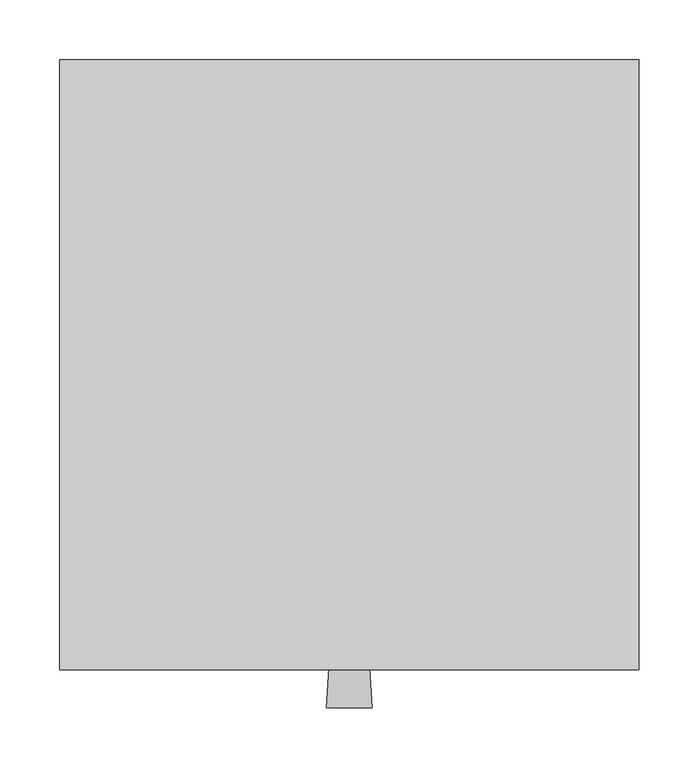
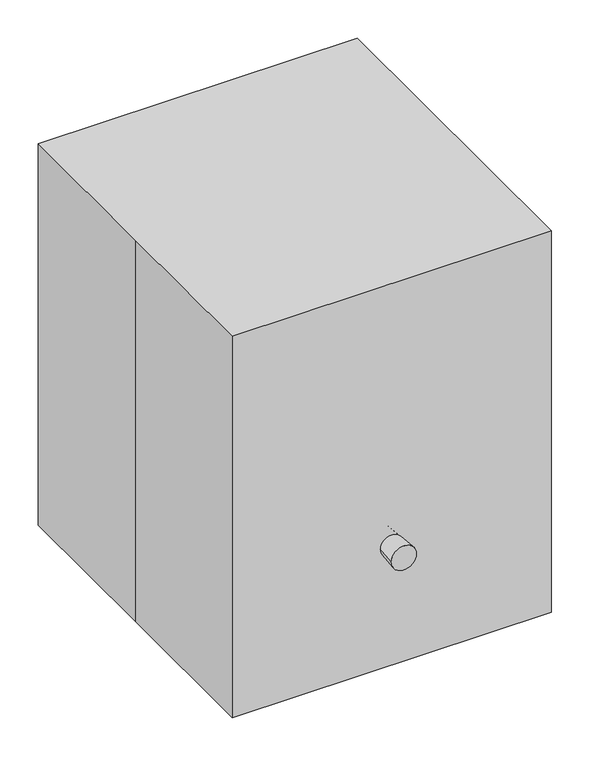
"""IFC4 building model written with IfcOpenShell, lengths in millimetres: proxy geometry."""

from ifc_helpers import new_model, si_unit, frame, origin, origin_with_axes, place, context, project, spatial, polyline, circle_curve, outline, extrude, faceted_brep, source, transform, mapped, element, save
from ifc_brep_helpers import plane_surface, revolved_surface, advanced_brep


def specialty_equipment_d57ed156(model_context):
    return source(origin(), model_context, "Body", "SolidModel", [
        faceted_brep([(98.425, -184.6191171, 222.25), (-98.425, -184.6191171, 222.25), (-98.425, -184.6191171, 158.75), (98.425, -184.6191171, 158.75), (104.775, -177.8, 228.6), (104.775, -177.8, 152.4), (-104.775, -177.8, 152.4), (-104.775, -177.8, 228.6)], [[[0, 1, 2, 3]], [[4, 5, 6, 7]], [[4, 7, 1, 0]], [[7, 6, 2, 1]], [[6, 5, 3, 2]], [[5, 4, 0, 3]]]),
        faceted_brep([(215.9, -177.8, 0.0), (215.9, 254.0, 0.0), (215.9, 254.0, 381.0), (215.9, 254.0, 457.2), (215.9, 203.2, 457.2), (215.9, 159.2059095, 381.0), (215.9, -177.8, 381.0), (-215.9, -177.8, 0.0), (-215.9, -177.8, 381.0), (-215.9, 159.2059095, 381.0), (-215.9, 203.2, 457.2), (-215.9, 254.0, 457.2), (-215.9, 254.0, 381.0), (-215.9, 254.0, 0.0), (-183.0677882, 192.6990996, 439.0119071), (-49.7177882, 192.6990996, 439.0119071), (-49.7177882, 173.6490996, 406.0163392), (-183.0677882, 173.6490996, 406.0163392), (-49.7177882, 195.4226045, 437.4394908), (-183.0677882, 195.4226045, 437.4394908), (-183.0677882, 176.3726045, 404.4439229), (-49.7177882, 176.3726045, 404.4439229)], [[[0, 1, 2, 3, 4, 5, 6]], [[7, 8, 9, 10, 11, 12, 13]], [[1, 0, 7, 13]], [[2, 1, 13, 12]], [[6, 5, 9, 8]], [[0, 6, 8, 7]], [[3, 2, 12, 11]], [[4, 3, 11, 10]], [[5, 4, 10, 9], [14, 15, 16, 17]], [[18, 19, 20, 21]], [[19, 18, 15, 14]], [[20, 19, 14, 17]], [[21, 20, 17, 16]], [[18, 21, 16, 15]]]),
        extrude(outline(polyline([(0.0, -133.35), (0.0, 0.0), (3.1448326, 0.0), (3.1448326, -133.35), (0.0, -133.35)])), frame((-183.0677882, 173.6490996, 406.0163392), z_axis=(0.0, 0.5000000000000101, 0.8660254037844329), x_axis=(0.0, 0.8660254037844329, -0.5000000000000101)), (0.0, 0.0, 1.0), 38.1),
        extrude(outline(polyline([(0.0, -19.05), (0.0, 0.0), (3.1448325, 0.0), (3.1448325, -19.05), (0.0, -19.05)])), frame((12.4795571, 183.6255948, 429.5858007), z_axis=(0.0, 0.5000000000000008, 0.8660254037844383), x_axis=(0.0, 0.8660254037844383, -0.5000000000000008)), (0.0, 0.0, 1.0), 19.05),
        extrude(outline(polyline([(0.0, -19.05), (0.0, 0.0), (3.1448325, 0.0), (3.1448325, -19.05), (0.0, -19.05)])), frame((50.5795571, 183.6255948, 429.5858007), z_axis=(0.0, 0.5000000000000008, 0.8660254037844383), x_axis=(0.0, 0.8660254037844383, -0.5000000000000008)), (0.0, 0.0, 1.0), 19.05),
        extrude(outline(polyline([(0.0, -19.05), (0.0, 0.0), (3.1448325, 0.0), (3.1448325, -19.05), (0.0, -19.05)])), frame((88.6795571, 183.6255948, 429.5858007), z_axis=(0.0, 0.5000000000000008, 0.8660254037844383), x_axis=(0.0, 0.8660254037844383, -0.5000000000000008)), (0.0, 0.0, 1.0), 19.05),
        extrude(outline(polyline([(0.0, -19.05), (0.0, 0.0), (3.1448325, 0.0), (3.1448325, -19.05), (0.0, -19.05)])), frame((126.7795571, 183.6255948, 429.5858007), z_axis=(0.0, 0.5000000000000008, 0.8660254037844383), x_axis=(0.0, 0.8660254037844383, -0.5000000000000008)), (0.0, 0.0, 1.0), 19.05),
        extrude(outline(polyline([(0.0, -19.05), (0.0, 0.0), (3.1448325, 0.0), (3.1448325, -19.05), (0.0, -19.05)])), frame((164.8795571, 183.6255948, 429.5858007), z_axis=(0.0, 0.49999999999999606, 0.8660254037844409), x_axis=(0.0, 0.8660254037844409, -0.49999999999999606)), (0.0, 0.0, 1.0), 19.05),
        extrude(outline(polyline([(0.0, -19.05), (0.0, 0.0), (3.1448324, 0.0), (3.1448324, -19.05), (0.0, -19.05)])), frame((12.4795571, 167.7505948, 402.0894941), z_axis=(0.0, 0.5000000000000008, 0.8660254037844383), x_axis=(0.0, 0.8660254037844383, -0.5000000000000008)), (0.0, 0.0, 1.0), 19.05),
        extrude(outline(polyline([(0.0, -19.05), (0.0, 0.0), (3.1448324, 0.0), (3.1448324, -19.05), (0.0, -19.05)])), frame((50.5795571, 167.7505948, 402.0894941), z_axis=(0.0, 0.5000000000000008, 0.8660254037844383), x_axis=(0.0, 0.8660254037844383, -0.5000000000000008)), (0.0, 0.0, 1.0), 19.05),
        extrude(outline(polyline([(0.0, -19.05), (0.0, 0.0), (3.1448324, 0.0), (3.1448324, -19.05), (0.0, -19.05)])), frame((88.6795571, 167.7505948, 402.0894941), z_axis=(0.0, 0.5000000000000008, 0.8660254037844383), x_axis=(0.0, 0.8660254037844383, -0.5000000000000008)), (0.0, 0.0, 1.0), 19.05),
        extrude(outline(polyline([(0.0, -19.05), (0.0, 0.0), (3.1448324, 0.0), (3.1448324, -19.05), (0.0, -19.05)])), frame((126.7795571, 167.7505948, 402.0894941), z_axis=(0.0, 0.5000000000000008, 0.8660254037844383), x_axis=(0.0, 0.8660254037844383, -0.5000000000000008)), (0.0, 0.0, 1.0), 19.05),
        extrude(outline(polyline([(0.0, -19.05), (0.0, 0.0), (3.1448324, 0.0), (3.1448324, -19.05), (0.0, -19.05)])), frame((164.8795571, 167.7505948, 402.0894941), z_axis=(0.0, 0.5000000000000054, 0.8660254037844356), x_axis=(0.0, 0.8660254037844356, -0.5000000000000054)), (0.0, 0.0, 1.0), 19.05),
        advanced_brep(
        [(-19.05, -285.9534664, 190.5), (19.05, -285.9534664, 190.5), (-12.7, -184.6191171, 190.5), (12.7, -184.6191171, 190.5)],
        [
            (0, 1, circle_curve(frame((0.0, -285.9534664, 190.5), z_axis=(0.0, -1.0, 0.0), x_axis=(-1.0, 0.0, 0.0)), 19.05)),
            (1, 0, circle_curve(frame((0.0, -285.9534664, 190.5), z_axis=(0.0, -1.0, 0.0), x_axis=(1.0, 0.0, 0.0)), 19.05)),
            (2, 3, circle_curve(frame((0.0, -184.6191171, 190.5), z_axis=(0.0, 1.0, 0.0), x_axis=(1.0, 0.0, 0.0)), 12.7)),
            (3, 2, circle_curve(frame((0.0, -184.6191171, 190.5), z_axis=(0.0, 1.0, 0.0), x_axis=(-1.0, 0.0, 0.0)), 12.7)),
            (3, 1),
            (0, 2),
        ],
        [
            plane_surface(frame((0.0, -285.9534664, 190.5), z_axis=(0.0, -1.0, 0.0), x_axis=(0.0, 0.0, -1.0))),
            plane_surface(frame((0.0, -184.6191171, 190.5), z_axis=(0.0, 1.0, 0.0), x_axis=(0.0, 0.0, -1.0))),
            revolved_surface(polyline([(12.7, -184.6191171, 190.5), (19.05, -285.9534664, 190.5)]), (0.0, 18.0495815, 190.5), (0.0, -1.0, 0.0)),
            revolved_surface(polyline([(-12.7, -184.6191171, 190.5), (-19.05, -285.9534664, 190.5)]), (0.0, 18.0495815, 190.5), (0.0, -1.0, 0.0)),
        ],
        [
            (0, [[1, 2]]),
            (1, [[3, 4]]),
            (2, [[-4, 5, -1, 6]]),
            (3, [[-3, -6, -2, -5]]),
        ],
    ),
        extrude(outline(polyline([(-241.3, 254.0), (241.3, 254.0), (241.3, -254.0), (-241.3, -254.0), (-241.3, 0.0), (-241.3, 254.0)])), origin_with_axes(), (0.0, 0.0, 1.0), 609.6),
    ])


if __name__ == "__main__":
    model = new_model("IFC4")
    model_context = context("Model", 3, world=origin())
    ifc_project = project(units=[si_unit("LENGTHUNIT", "METRE", prefix="MILLI")], contexts=[model_context])
    site = spatial("IfcSite", under=ifc_project)
    building = spatial("IfcBuilding", under=site)
    placement = place(None, origin())
    specialty_equipment_shape = specialty_equipment_d57ed156(model_context)
    element("IfcBuildingElementProxy", 1, Name="Specialty Equipment", at=placement, inside=building, context=model_context, shape_type="MappedRepresentation", body=[
        mapped(specialty_equipment_shape, transform((0.0, 0.0, 0.0), x_axis=(1.0, 0.0, 0.0), y_axis=(0.0, 1.0, 0.0), z_axis=(0.0, 0.0, 1.0))),
    ])
    save(model, "model.ifc")
